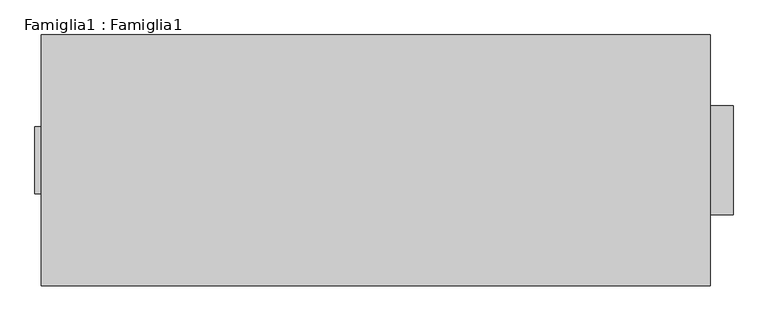
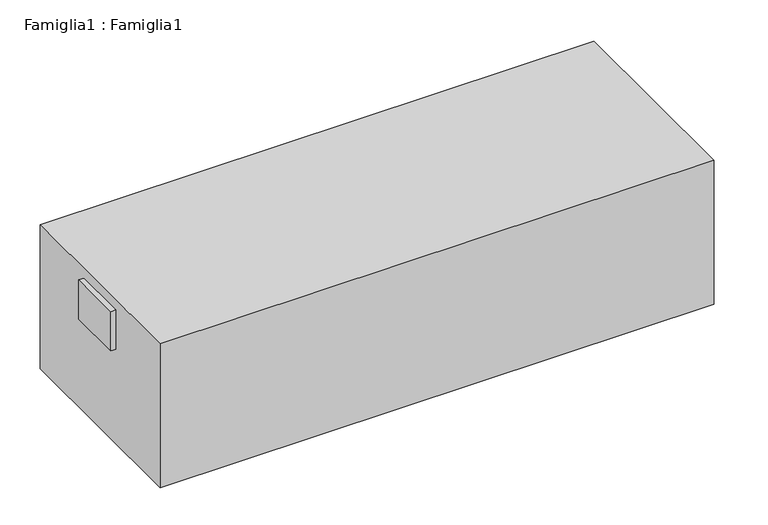
"""IFC4 building model written with IfcOpenShell, lengths in millimetres: proxy geometry, Famiglia1 : Famiglia1."""

import ifcopenshell
import ifcopenshell.guid

model = None  # the IFC model being written
_history = None  # IfcOwnerHistory: only IFC2X3 demands one
_inside = {}  # id of a spatial element -> (the spatial element, [elements in it])
_under = {}  # id of a project, library or spatial element -> (it, [spatial elements below it])
_declared = {}  # id of a project -> (the project, [libraries it declares])
_typed = {}  # id of a type object -> (the type object, [elements of that type])
_made_of = {}  # id of a material, layer set ... -> (it, [elements and type objects made of it])


def new_model(schema):
    """Start an empty IFC model of exactly this schema.

    Asked for "IFC4X3", IfcOpenShell would pick the latest addendum, in which some entities
    have other attributes; the version numbers below select the first issue.
    IFC2X3 requires an IfcOwnerHistory on every rooted entity: one is made here for all.
    """
    global model, _history
    if schema == "IFC4X3":
        model = ifcopenshell.file(schema_version=(4, 3, 0, 0))
    else:
        model = ifcopenshell.file(schema=schema)
    _inside.clear()
    _under.clear()
    _declared.clear()
    _typed.clear()
    _made_of.clear()
    _history = None
    if model.schema == "IFC2X3":
        org = make("IfcOrganization", Name="unknown")
        user = make(
            "IfcPersonAndOrganization",
            ThePerson=make("IfcPerson", FamilyName="unknown"),
            TheOrganization=org,
        )
        app = make(
            "IfcApplication",
            ApplicationDeveloper=org,
            Version="unknown",
            ApplicationFullName="unknown",
            ApplicationIdentifier="unknown",
        )
        _history = make(
            "IfcOwnerHistory",
            OwningUser=user,
            OwningApplication=app,
            ChangeAction="ADDED",
            CreationDate=0,
        )
    return model


def make(cls, **values):
    """One entity of the class cls with the attributes given. An attribute that is None is left unset."""
    return model.create_entity(
        cls, **{name: value for name, value in values.items() if value is not None}
    )


def rooted(cls, **values):
    """An entity with a GlobalId (a new one), such as an element, a storey or a relation."""
    return make(cls, GlobalId=ifcopenshell.guid.new(), OwnerHistory=_history, **values)


def si_unit(unit_type, name, prefix=None):
    """IfcSIUnit, for example si_unit("LENGTHUNIT", "METRE", prefix="MILLI")."""
    return make("IfcSIUnit", UnitType=unit_type, Prefix=prefix, Name=name)


def assignment(units):
    """IfcUnitAssignment: the units of a project."""
    return None if units is None else make("IfcUnitAssignment", Units=units)


def point(xyz):
    """IfcCartesianPoint."""
    return None if xyz is None else make("IfcCartesianPoint", Coordinates=xyz)


def direction(xyz):
    """IfcDirection."""
    return None if xyz is None else make("IfcDirection", DirectionRatios=xyz)


def frame(location, z_axis=None, x_axis=None):
    """IfcAxis2Placement3D, a coordinate frame: its origin and axes. An axis left out is left unset."""
    return make(
        "IfcAxis2Placement3D",
        Location=point(location),
        Axis=direction(z_axis),
        RefDirection=direction(x_axis),
    )


def origin():
    """The frame at (0, 0, 0) with its axes left unset."""
    return frame((0.0, 0.0, 0.0))


def origin_with_axes():
    """The frame at (0, 0, 0) with the z axis (0, 0, 1) and the x axis (1, 0, 0) written out."""
    return frame((0.0, 0.0, 0.0), z_axis=(0.0, 0.0, 1.0), x_axis=(1.0, 0.0, 0.0))


def place(relative_to, where):
    """IfcLocalPlacement: puts the frame where relative to a parent placement (None: the world)."""
    return make(
        "IfcLocalPlacement", PlacementRelTo=relative_to, RelativePlacement=where
    )


def context(
    kind, dimensions, precision=None, world=None, true_north=None, identifier=None
):
    """IfcGeometricRepresentationContext, for example the 3D "Model" context."""
    return make(
        "IfcGeometricRepresentationContext",
        ContextIdentifier=identifier,
        ContextType=kind,
        CoordinateSpaceDimension=dimensions,
        Precision=precision,
        WorldCoordinateSystem=world,
        TrueNorth=true_north,
    )


def project(units=None, contexts=None):
    """IfcProject with its units and contexts."""
    return rooted(
        "IfcProject",
        Name="project",
        RepresentationContexts=contexts,
        UnitsInContext=assignment(units),
    )


def spatial(cls, under=None, at=None, **own):
    """A site, building, storey or space (cls), placed at a placement, below another one or the project."""
    s = rooted(cls, ObjectPlacement=at, **own)
    if under is not None:
        _under.setdefault(under.id(), (under, []))[1].append(s)
    return s


def polyline(points):
    """IfcPolyline through the points."""
    return make("IfcPolyline", Points=[point(p) for p in points])


def outline(outer, holes=None, kind="AREA"):
    """IfcArbitraryClosedProfileDef: a profile drawn as a closed curve; with holes, ...WithVoids."""
    if holes is None:
        return make("IfcArbitraryClosedProfileDef", ProfileType=kind, OuterCurve=outer)
    return make(
        "IfcArbitraryProfileDefWithVoids",
        ProfileType=kind,
        OuterCurve=outer,
        InnerCurves=holes,
    )


def extrude(swept, where, along, depth):
    """IfcExtrudedAreaSolid: the profile swept, set in the frame where, extruded along a direction by depth."""
    return make(
        "IfcExtrudedAreaSolid",
        SweptArea=swept,
        Position=where,
        ExtrudedDirection=direction(along),
        Depth=depth,
    )


def shape(context_of_items, identifier, shape_type, items):
    """IfcShapeRepresentation: the items that make up one representation, for example the "Body"."""
    return make(
        "IfcShapeRepresentation",
        ContextOfItems=context_of_items,
        RepresentationIdentifier=identifier,
        RepresentationType=shape_type,
        Items=items,
    )


def source(mapping_origin, context_of_items, identifier, shape_type, items):
    """IfcRepresentationMap: a shape defined once, which mapped items show again and again."""
    return make(
        "IfcRepresentationMap",
        MappingOrigin=mapping_origin,
        MappedRepresentation=shape(context_of_items, identifier, shape_type, items),
    )


def transform(
    local_origin,
    x_axis=None,
    y_axis=None,
    z_axis=None,
    scale=None,
    scale2=None,
    scale3=None,
    uniform=True,
):
    """IfcCartesianTransformationOperator3D, or its non-uniform kind. x_axis, y_axis, z_axis: its Axis1, 2, 3."""
    if uniform:
        return make(
            "IfcCartesianTransformationOperator3D",
            Axis1=direction(x_axis),
            Axis2=direction(y_axis),
            LocalOrigin=point(local_origin),
            Scale=scale,
            Axis3=direction(z_axis),
        )
    return make(
        "IfcCartesianTransformationOperator3DnonUniform",
        Axis1=direction(x_axis),
        Axis2=direction(y_axis),
        LocalOrigin=point(local_origin),
        Scale=scale,
        Axis3=direction(z_axis),
        Scale2=scale2,
        Scale3=scale3,
    )


def mapped(mapping_source, mapping_target):
    """IfcMappedItem: shows the shape of a source again, moved by a transform."""
    return make(
        "IfcMappedItem", MappingSource=mapping_source, MappingTarget=mapping_target
    )


def made_of(thing, what):
    """Note that an element or type object is made of a material, layer set ...; save() writes the relation."""
    if what is not None:
        _made_of.setdefault(what.id(), (what, []))[1].append(thing)
    return thing


def element(
    cls,
    number,
    at=None,
    inside=None,
    cuts=None,
    type_object=None,
    material=None,
    context=None,
    identifier="Body",
    shape_type=None,
    held_by="IfcProductDefinitionShape",
    body=None,
    shapes=None,
    **own,
):
    """One element of the class cls, such as IfcWall. Its Tag is "e" and its number.

    at: its placement. inside: the storey or other place that contains it. cuts: it is an
    opening in that element (IfcRelVoidsElement). A single representation is given by context,
    identifier, shape_type and body (its items); several are given by shapes. held_by: the class
    of the entity that holds the representations. save() writes the other relations.
    """
    e = rooted(cls, Tag="e%d" % number, ObjectPlacement=at, **own)
    if body is not None:
        shapes = [shape(context, identifier, shape_type, body)]
    if shapes is not None:
        e.Representation = make(held_by, Representations=shapes)
    if inside is not None:
        _inside.setdefault(inside.id(), (inside, []))[1].append(e)
    if cuts is not None:
        rooted(
            "IfcRelVoidsElement", RelatingBuildingElement=cuts, RelatedOpeningElement=e
        )
    if type_object is not None:
        _typed.setdefault(type_object.id(), (type_object, []))[1].append(e)
    return made_of(e, material)


def aggregate(whole, parts):
    """IfcRelAggregates: a whole, such as a stair, and the parts it consists of."""
    return rooted("IfcRelAggregates", RelatingObject=whole, RelatedObjects=parts)


def save(model, path):
    """Write the relations noted so far, then the file.

    IfcRelAggregates (storeys below a building ...), IfcRelContainedInSpatialStructure (elements
    in a storey), IfcRelDefinesByType, IfcRelAssociatesMaterial and IfcRelDeclares: one each for
    every whole, place, type object, material and project.
    """
    for whole, parts in _under.values():
        aggregate(whole, parts)
    for where, things in _inside.values():
        rooted(
            "IfcRelContainedInSpatialStructure",
            RelatedElements=things,
            RelatingStructure=where,
        )
    for kind, things in _typed.values():
        rooted("IfcRelDefinesByType", RelatedObjects=things, RelatingType=kind)
    for what, things in _made_of.values():
        rooted("IfcRelAssociatesMaterial", RelatedObjects=things, RelatingMaterial=what)
    for by, libraries in _declared.values():
        rooted("IfcRelDeclares", RelatingContext=by, RelatedDefinitions=libraries)
    model.write(path)


def famiglia1_famiglia1_46877e6e(model_context):
    return source(origin(), model_context, "Body", "SweptSolid", [
        extrude(outline(polyline([(4000.0, -650.0), (4000.0, 650.0), (4275.0, 650.0), (4275.0, -650.0), (4000.0, -650.0)])), frame((0.0, 0.0, 600.0), z_axis=(0.0, 0.0, 1.0), x_axis=(1.0, 0.0, 0.0)), (0.0, 0.0, 1.0), 1000.0),
        extrude(outline(polyline([(-4000.0, 400.0), (-4000.0, -400.0), (-4075.0, -400.0), (-4075.0, 400.0), (-4000.0, 400.0)])), frame((0.0, 0.0, 1450.0), z_axis=(0.0, 0.0, 1.0), x_axis=(1.0, 0.0, 0.0)), (0.0, 0.0, 1.0), 600.0),
        extrude(outline(polyline([(4000.0, -1500.0), (-4000.0, -1500.0), (-4000.0, 1500.0), (4000.0, 1500.0), (4000.0, -1500.0)])), origin_with_axes(), (0.0, 0.0, 1.0), 2200.0),
    ])


if __name__ == "__main__":
    model = new_model("IFC4")
    model_context = context("Model", 3, world=origin())
    ifc_project = project(units=[si_unit("LENGTHUNIT", "METRE", prefix="MILLI")], contexts=[model_context])
    site = spatial("IfcSite", under=ifc_project)
    building = spatial("IfcBuilding", under=site)
    placement = place(None, origin())
    famiglia1_famiglia1_shape = famiglia1_famiglia1_46877e6e(model_context)
    element("IfcBuildingElementProxy", 1, Name="Famiglia1 : Famiglia1", ObjectType="Famiglia1 : Famiglia1", at=placement, inside=building, context=model_context, shape_type="MappedRepresentation", body=[
        mapped(famiglia1_famiglia1_shape, transform((0.0, 0.0, 0.0), x_axis=(1.0, 0.0, 0.0), y_axis=(0.0, 1.0, 0.0), z_axis=(0.0, 0.0, 1.0))),
    ])
    save(model, "model.ifc")
